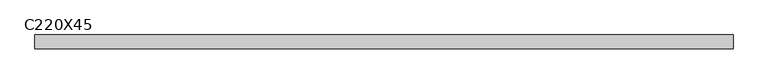
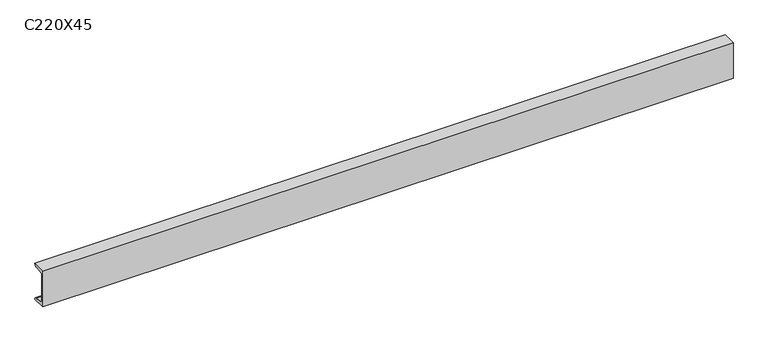
"""IFC4 building model written with IfcOpenShell, lengths in millimetres: beam geometry, C220X45."""

from ifc_helpers import new_model, si_unit, point, frame, frame_2d, origin, place, context, project, spatial, polyline, circle_curve, trimmed, segment, composite_curve, outline, extrude, source, transform, mapped, element, save


def c220x45_b168949a(model_context):
    return source(origin(), model_context, "Body", "SweptSolid", [
        extrude(outline(composite_curve([segment(polyline([(-17.0, 110.0), (64.0, 110.0)]), True, "CONTINUOUS"), segment(trimmed(circle_curve(frame_2d((51.0, 110.0)), 13.0), [point((64.0, 110.0))], [point((51.0, 97.0))], False, "CARTESIAN"), True, "CONTINUOUS"), segment(polyline([(51.0, 97.0), (-4.0, 88.2888558), (-4.0, -88.2888558), (51.0, -97.0)]), True, "CONTINUOUS"), segment(trimmed(circle_curve(frame_2d((51.0, -110.0)), 13.0), [point((51.0, -97.0))], [point((64.0, -110.0))], False, "CARTESIAN"), True, "CONTINUOUS"), segment(polyline([(64.0, -110.0), (-17.0, -110.0), (-17.0, 110.0)]), True, "CONTINUOUS")], self_intersect=False)), frame((-2050.5, 0.0, 0.0), z_axis=(1.0, 0.0, 0.0), x_axis=(0.0, 1.0, 0.0)), (0.0, 0.0, 1.0), 4042.0),
    ])


if __name__ == "__main__":
    model = new_model("IFC4")
    model_context = context("Model", 3, world=origin())
    ifc_project = project(units=[si_unit("LENGTHUNIT", "METRE", prefix="MILLI")], contexts=[model_context])
    site = spatial("IfcSite", under=ifc_project)
    building = spatial("IfcBuilding", under=site)
    placement = place(None, origin())
    c220x45_shape = c220x45_b168949a(model_context)
    element("IfcBeam", 1, ObjectType="C220X45", at=placement, inside=building, context=model_context, shape_type="MappedRepresentation", body=[
        mapped(c220x45_shape, transform((0.0, 0.0, 0.0), x_axis=(1.0, 0.0, 0.0), y_axis=(0.0, 1.0, 0.0), z_axis=(0.0, 0.0, 1.0))),
    ])
    save(model, "model.ifc")
